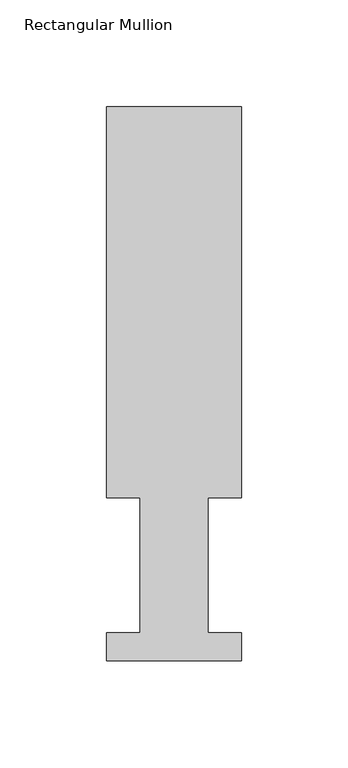
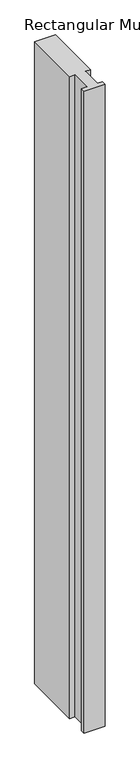
"""IFC4 building model written with IfcOpenShell, lengths in millimetres: member geometry, Rectangular Mullion."""

import ifcopenshell
import ifcopenshell.guid

model = None  # the IFC model being written
_history = None  # IfcOwnerHistory: only IFC2X3 demands one
_inside = {}  # id of a spatial element -> (the spatial element, [elements in it])
_under = {}  # id of a project, library or spatial element -> (it, [spatial elements below it])
_declared = {}  # id of a project -> (the project, [libraries it declares])
_typed = {}  # id of a type object -> (the type object, [elements of that type])
_made_of = {}  # id of a material, layer set ... -> (it, [elements and type objects made of it])


def new_model(schema):
    """Start an empty IFC model of exactly this schema.

    Asked for "IFC4X3", IfcOpenShell would pick the latest addendum, in which some entities
    have other attributes; the version numbers below select the first issue.
    IFC2X3 requires an IfcOwnerHistory on every rooted entity: one is made here for all.
    """
    global model, _history
    if schema == "IFC4X3":
        model = ifcopenshell.file(schema_version=(4, 3, 0, 0))
    else:
        model = ifcopenshell.file(schema=schema)
    _inside.clear()
    _under.clear()
    _declared.clear()
    _typed.clear()
    _made_of.clear()
    _history = None
    if model.schema == "IFC2X3":
        org = make("IfcOrganization", Name="unknown")
        user = make(
            "IfcPersonAndOrganization",
            ThePerson=make("IfcPerson", FamilyName="unknown"),
            TheOrganization=org,
        )
        app = make(
            "IfcApplication",
            ApplicationDeveloper=org,
            Version="unknown",
            ApplicationFullName="unknown",
            ApplicationIdentifier="unknown",
        )
        _history = make(
            "IfcOwnerHistory",
            OwningUser=user,
            OwningApplication=app,
            ChangeAction="ADDED",
            CreationDate=0,
        )
    return model


def make(cls, **values):
    """One entity of the class cls with the attributes given. An attribute that is None is left unset."""
    return model.create_entity(
        cls, **{name: value for name, value in values.items() if value is not None}
    )


def rooted(cls, **values):
    """An entity with a GlobalId (a new one), such as an element, a storey or a relation."""
    return make(cls, GlobalId=ifcopenshell.guid.new(), OwnerHistory=_history, **values)


def si_unit(unit_type, name, prefix=None):
    """IfcSIUnit, for example si_unit("LENGTHUNIT", "METRE", prefix="MILLI")."""
    return make("IfcSIUnit", UnitType=unit_type, Prefix=prefix, Name=name)


def assignment(units):
    """IfcUnitAssignment: the units of a project."""
    return None if units is None else make("IfcUnitAssignment", Units=units)


def point(xyz):
    """IfcCartesianPoint."""
    return None if xyz is None else make("IfcCartesianPoint", Coordinates=xyz)


def direction(xyz):
    """IfcDirection."""
    return None if xyz is None else make("IfcDirection", DirectionRatios=xyz)


def frame(location, z_axis=None, x_axis=None):
    """IfcAxis2Placement3D, a coordinate frame: its origin and axes. An axis left out is left unset."""
    return make(
        "IfcAxis2Placement3D",
        Location=point(location),
        Axis=direction(z_axis),
        RefDirection=direction(x_axis),
    )


def origin():
    """The frame at (0, 0, 0) with its axes left unset."""
    return frame((0.0, 0.0, 0.0))


def place(relative_to, where):
    """IfcLocalPlacement: puts the frame where relative to a parent placement (None: the world)."""
    return make(
        "IfcLocalPlacement", PlacementRelTo=relative_to, RelativePlacement=where
    )


def context(
    kind, dimensions, precision=None, world=None, true_north=None, identifier=None
):
    """IfcGeometricRepresentationContext, for example the 3D "Model" context."""
    return make(
        "IfcGeometricRepresentationContext",
        ContextIdentifier=identifier,
        ContextType=kind,
        CoordinateSpaceDimension=dimensions,
        Precision=precision,
        WorldCoordinateSystem=world,
        TrueNorth=true_north,
    )


def project(units=None, contexts=None):
    """IfcProject with its units and contexts."""
    return rooted(
        "IfcProject",
        Name="project",
        RepresentationContexts=contexts,
        UnitsInContext=assignment(units),
    )


def spatial(cls, under=None, at=None, **own):
    """A site, building, storey or space (cls), placed at a placement, below another one or the project."""
    s = rooted(cls, ObjectPlacement=at, **own)
    if under is not None:
        _under.setdefault(under.id(), (under, []))[1].append(s)
    return s


def polyline(points):
    """IfcPolyline through the points."""
    return make("IfcPolyline", Points=[point(p) for p in points])


def outline(outer, holes=None, kind="AREA"):
    """IfcArbitraryClosedProfileDef: a profile drawn as a closed curve; with holes, ...WithVoids."""
    if holes is None:
        return make("IfcArbitraryClosedProfileDef", ProfileType=kind, OuterCurve=outer)
    return make(
        "IfcArbitraryProfileDefWithVoids",
        ProfileType=kind,
        OuterCurve=outer,
        InnerCurves=holes,
    )


def extrude(swept, where, along, depth):
    """IfcExtrudedAreaSolid: the profile swept, set in the frame where, extruded along a direction by depth."""
    return make(
        "IfcExtrudedAreaSolid",
        SweptArea=swept,
        Position=where,
        ExtrudedDirection=direction(along),
        Depth=depth,
    )


def shape(context_of_items, identifier, shape_type, items):
    """IfcShapeRepresentation: the items that make up one representation, for example the "Body"."""
    return make(
        "IfcShapeRepresentation",
        ContextOfItems=context_of_items,
        RepresentationIdentifier=identifier,
        RepresentationType=shape_type,
        Items=items,
    )


def source(mapping_origin, context_of_items, identifier, shape_type, items):
    """IfcRepresentationMap: a shape defined once, which mapped items show again and again."""
    return make(
        "IfcRepresentationMap",
        MappingOrigin=mapping_origin,
        MappedRepresentation=shape(context_of_items, identifier, shape_type, items),
    )


def transform(
    local_origin,
    x_axis=None,
    y_axis=None,
    z_axis=None,
    scale=None,
    scale2=None,
    scale3=None,
    uniform=True,
):
    """IfcCartesianTransformationOperator3D, or its non-uniform kind. x_axis, y_axis, z_axis: its Axis1, 2, 3."""
    if uniform:
        return make(
            "IfcCartesianTransformationOperator3D",
            Axis1=direction(x_axis),
            Axis2=direction(y_axis),
            LocalOrigin=point(local_origin),
            Scale=scale,
            Axis3=direction(z_axis),
        )
    return make(
        "IfcCartesianTransformationOperator3DnonUniform",
        Axis1=direction(x_axis),
        Axis2=direction(y_axis),
        LocalOrigin=point(local_origin),
        Scale=scale,
        Axis3=direction(z_axis),
        Scale2=scale2,
        Scale3=scale3,
    )


def mapped(mapping_source, mapping_target):
    """IfcMappedItem: shows the shape of a source again, moved by a transform."""
    return make(
        "IfcMappedItem", MappingSource=mapping_source, MappingTarget=mapping_target
    )


def made_of(thing, what):
    """Note that an element or type object is made of a material, layer set ...; save() writes the relation."""
    if what is not None:
        _made_of.setdefault(what.id(), (what, []))[1].append(thing)
    return thing


def element(
    cls,
    number,
    at=None,
    inside=None,
    cuts=None,
    type_object=None,
    material=None,
    context=None,
    identifier="Body",
    shape_type=None,
    held_by="IfcProductDefinitionShape",
    body=None,
    shapes=None,
    **own,
):
    """One element of the class cls, such as IfcWall. Its Tag is "e" and its number.

    at: its placement. inside: the storey or other place that contains it. cuts: it is an
    opening in that element (IfcRelVoidsElement). A single representation is given by context,
    identifier, shape_type and body (its items); several are given by shapes. held_by: the class
    of the entity that holds the representations. save() writes the other relations.
    """
    e = rooted(cls, Tag="e%d" % number, ObjectPlacement=at, **own)
    if body is not None:
        shapes = [shape(context, identifier, shape_type, body)]
    if shapes is not None:
        e.Representation = make(held_by, Representations=shapes)
    if inside is not None:
        _inside.setdefault(inside.id(), (inside, []))[1].append(e)
    if cuts is not None:
        rooted(
            "IfcRelVoidsElement", RelatingBuildingElement=cuts, RelatedOpeningElement=e
        )
    if type_object is not None:
        _typed.setdefault(type_object.id(), (type_object, []))[1].append(e)
    return made_of(e, material)


def aggregate(whole, parts):
    """IfcRelAggregates: a whole, such as a stair, and the parts it consists of."""
    return rooted("IfcRelAggregates", RelatingObject=whole, RelatedObjects=parts)


def save(model, path):
    """Write the relations noted so far, then the file.

    IfcRelAggregates (storeys below a building ...), IfcRelContainedInSpatialStructure (elements
    in a storey), IfcRelDefinesByType, IfcRelAssociatesMaterial and IfcRelDeclares: one each for
    every whole, place, type object, material and project.
    """
    for whole, parts in _under.values():
        aggregate(whole, parts)
    for where, things in _inside.values():
        rooted(
            "IfcRelContainedInSpatialStructure",
            RelatedElements=things,
            RelatingStructure=where,
        )
    for kind, things in _typed.values():
        rooted("IfcRelDefinesByType", RelatedObjects=things, RelatingType=kind)
    for what, things in _made_of.values():
        rooted("IfcRelAssociatesMaterial", RelatedObjects=things, RelatingMaterial=what)
    for by, libraries in _declared.values():
        rooted("IfcRelDeclares", RelatingContext=by, RelatedDefinitions=libraries)
    model.write(path)


def rectangular_mullion_2a06178b(model_context):
    return source(origin(), model_context, "Body", "SweptSolid", [
        extrude(outline(polyline([(31.75, 76.2992187), (15.875, 76.2992187), (15.875, 13.1492189), (31.75, 13.1492189), (31.75, -0.0333811), (-31.75, -0.0333811), (-31.75, 13.1492189), (-15.875, 13.1492189), (-15.875, 76.2992187), (-31.75, 76.2992187), (-31.75, 259.9671074), (31.75, 259.9671074), (31.75, 76.2992187)])), frame((0.0, 0.0, -2057.4), z_axis=(0.0, 0.0, 1.0), x_axis=(1.0, 0.0, 0.0)), (0.0, 0.0, 1.0), 2057.4),
    ])


if __name__ == "__main__":
    model = new_model("IFC4")
    model_context = context("Model", 3, world=origin())
    ifc_project = project(units=[si_unit("LENGTHUNIT", "METRE", prefix="MILLI")], contexts=[model_context])
    site = spatial("IfcSite", under=ifc_project)
    building = spatial("IfcBuilding", under=site)
    placement = place(None, origin())
    rectangular_mullion_shape = rectangular_mullion_2a06178b(model_context)
    element("IfcMember", 1, ObjectType="Rectangular Mullion", at=placement, inside=building, context=model_context, shape_type="MappedRepresentation", body=[
        mapped(rectangular_mullion_shape, transform((0.0, 0.0, 0.0), x_axis=(1.0, 0.0, 0.0), y_axis=(0.0, 1.0, 0.0), z_axis=(0.0, 0.0, 1.0))),
    ])
    save(model, "model.ifc")
